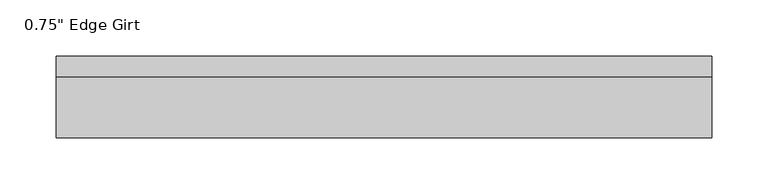
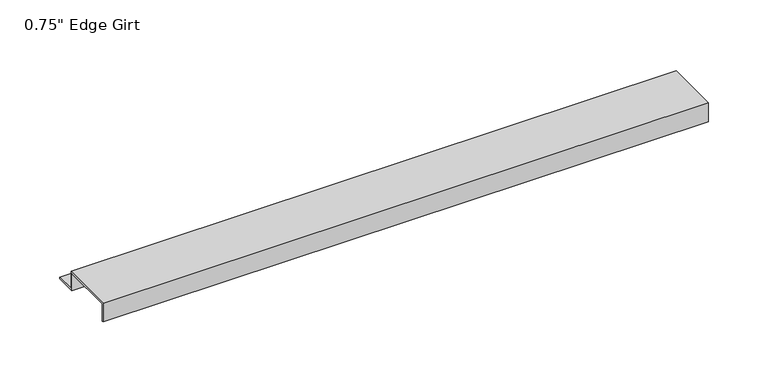
"""IFC4 building model written with IfcOpenShell, lengths in millimetres: proxy geometry."""

from ifc_helpers import new_model, si_unit, frame, origin, place, context, project, spatial, polyline, outline, extrude, source, transform, mapped, element, save


def proxy_a7415779(model_context):
    return source(origin(), model_context, "Body", "SweptSolid", [
        extrude(outline(polyline([(46.0559645, -17.4375), (25.4, -17.4375), (25.4, 0.0), (-25.4, 0.0), (-25.4, -17.4375), (-27.0129, -17.4375), (-27.0129, 1.6129), (27.0129, 1.6129), (27.0129, -15.8242), (46.0559645, -15.8242), (46.0559645, -17.4375)])), frame((0.0, 0.0, 0.0), z_axis=(1.0, 0.0, 0.0), x_axis=(0.0, 1.0, 0.0)), (0.0, 0.0, 1.0), 585.6513522),
    ])


if __name__ == "__main__":
    model = new_model("IFC4")
    model_context = context("Model", 3, world=origin())
    ifc_project = project(units=[si_unit("LENGTHUNIT", "METRE", prefix="MILLI")], contexts=[model_context])
    site = spatial("IfcSite", under=ifc_project)
    building = spatial("IfcBuilding", under=site)
    placement = place(None, origin())
    proxy_shape = proxy_a7415779(model_context)
    element("IfcBuildingElementProxy", 1, Name="0.75\" Edge Girt", ObjectType="0.75\" Edge Girt", at=placement, inside=building, context=model_context, shape_type="MappedRepresentation", body=[
        mapped(proxy_shape, transform((0.0, 0.0, 0.0), x_axis=(1.0, 0.0, 0.0), y_axis=(0.0, 1.0, 0.0), z_axis=(0.0, 0.0, 1.0))),
    ])
    save(model, "model.ifc")
